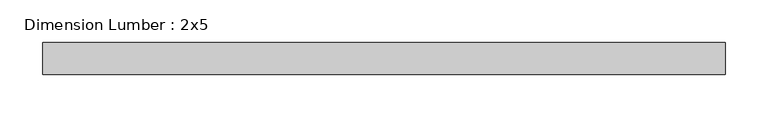
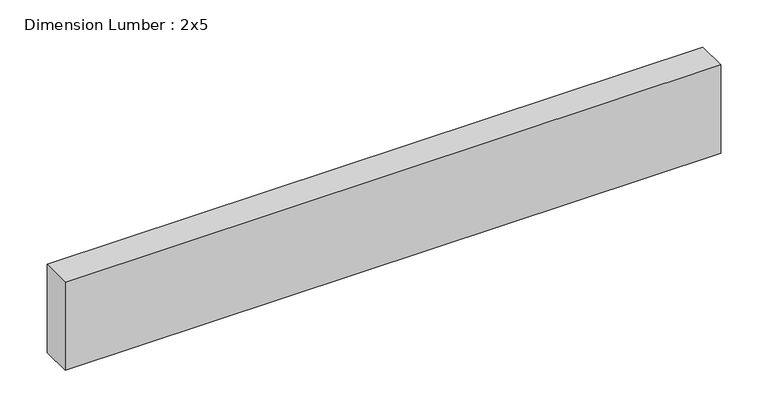
"""IFC4 building model written with IfcOpenShell, lengths in millimetres: beam geometry, Dimension Lumber : 2x5."""

from ifc_helpers import new_model, si_unit, frame, origin, place, context, project, spatial, polyline, outline, extrude, source, transform, mapped, element, save


def dimension_lumber_2x5_9317c098(model_context):
    return source(origin(), model_context, "Body", "SweptSolid", [
        extrude(outline(polyline([(401.4935561, 19.05), (401.4935561, -19.05), (-401.4935561, -19.05), (-401.4935561, 19.05), (401.4935561, 19.05)])), frame((0.0, 0.0, -57.15), z_axis=(0.0, 0.0, 1.0), x_axis=(1.0, 0.0, 0.0)), (0.0, 0.0, 1.0), 114.3),
    ])


if __name__ == "__main__":
    model = new_model("IFC4")
    model_context = context("Model", 3, world=origin())
    ifc_project = project(units=[si_unit("LENGTHUNIT", "METRE", prefix="MILLI")], contexts=[model_context])
    site = spatial("IfcSite", under=ifc_project)
    building = spatial("IfcBuilding", under=site)
    placement = place(None, origin())
    dimension_lumber_2x5_shape = dimension_lumber_2x5_9317c098(model_context)
    element("IfcBeam", 1, ObjectType="Dimension Lumber : 2x5", at=placement, inside=building, context=model_context, shape_type="MappedRepresentation", body=[
        mapped(dimension_lumber_2x5_shape, transform((0.0, 0.0, 0.0), x_axis=(1.0, 0.0, 0.0), y_axis=(0.0, 1.0, 0.0), z_axis=(0.0, 0.0, 1.0))),
    ])
    save(model, "model.ifc")
